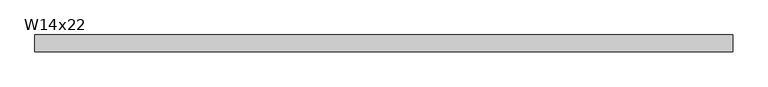
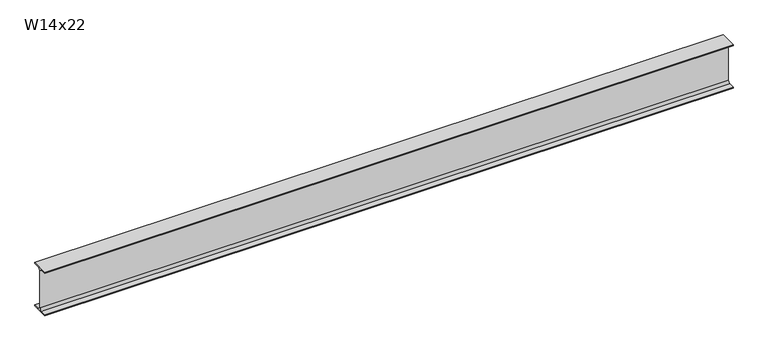
"""IFC4 building model written with IfcOpenShell, lengths in millimetres: beam geometry, W14x22."""

from ifc_helpers import new_model, si_unit, point, frame, frame_2d, origin, place, context, project, spatial, polyline, circle_curve, trimmed, segment, composite_curve, outline, extrude, source, transform, mapped, element, save


def w14x22_1681509b(model_context):
    return source(origin(), model_context, "Body", "SweptSolid", [
        extrude(outline(composite_curve([segment(polyline([(63.5, -165.481), (63.5, -173.99), (-63.5, -173.99), (-63.5, -165.481), (-21.3995, -165.481)]), True, "CONTINUOUS"), segment(trimmed(circle_curve(frame_2d((-21.3995, -147.0025)), 18.4785), [point((-21.3995, -165.481))], [point((-2.921, -147.0025))], True, "CARTESIAN"), True, "CONTINUOUS"), segment(polyline([(-2.921, -147.0025), (-2.921, 147.0025)]), True, "CONTINUOUS"), segment(trimmed(circle_curve(frame_2d((-21.3995, 147.0025)), 18.4785), [point((-2.921, 147.0025))], [point((-21.3995, 165.481))], True, "CARTESIAN"), True, "CONTINUOUS"), segment(polyline([(-21.3995, 165.481), (-63.5, 165.481), (-63.5, 173.99), (63.5, 173.99), (63.5, 165.481), (21.3995, 165.481)]), True, "CONTINUOUS"), segment(trimmed(circle_curve(frame_2d((21.3995, 147.0025)), 18.4785), [point((21.3995, 165.481))], [point((2.921, 147.0025))], True, "CARTESIAN"), True, "CONTINUOUS"), segment(polyline([(2.921, 147.0025), (2.921, -147.0025)]), True, "CONTINUOUS"), segment(trimmed(circle_curve(frame_2d((21.3995, -147.0025)), 18.4785), [point((2.921, -147.0025))], [point((21.3995, -165.481))], True, "CARTESIAN"), True, "CONTINUOUS"), segment(polyline([(21.3995, -165.481), (63.5, -165.481)]), True, "CONTINUOUS")], self_intersect=False)), frame((-2575.5664304, 0.0, 0.0), z_axis=(1.0, 0.0, 0.0), x_axis=(0.0, 1.0, 0.0)), (0.0, 0.0, 1.0), 5202.1960255),
    ])


if __name__ == "__main__":
    model = new_model("IFC4")
    model_context = context("Model", 3, world=origin())
    ifc_project = project(units=[si_unit("LENGTHUNIT", "METRE", prefix="MILLI")], contexts=[model_context])
    site = spatial("IfcSite", under=ifc_project)
    building = spatial("IfcBuilding", under=site)
    placement = place(None, origin())
    w14x22_shape = w14x22_1681509b(model_context)
    element("IfcBeam", 1, ObjectType="W14x22", at=placement, inside=building, context=model_context, shape_type="MappedRepresentation", body=[
        mapped(w14x22_shape, transform((0.0, 0.0, 0.0), x_axis=(1.0, 0.0, 0.0), y_axis=(0.0, 1.0, 0.0), z_axis=(0.0, 0.0, 1.0))),
    ])
    save(model, "model.ifc")
